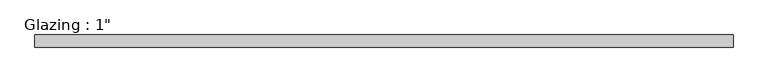
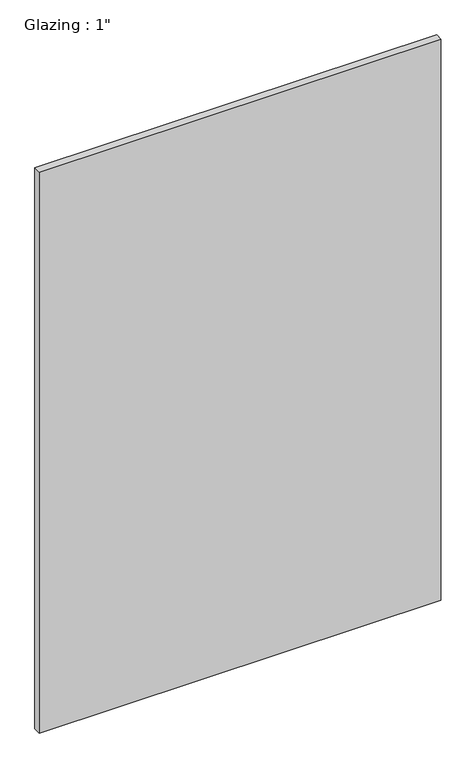
"""IFC4 building model written with IfcOpenShell, lengths in millimetres: plate geometry."""

from ifc_helpers import new_model, si_unit, origin, origin_with_axes, place, context, project, spatial, polyline, outline, extrude, source, transform, mapped, element, save


def plate_90bc6a38(model_context):
    return source(origin(), model_context, "Body", "SweptSolid", [
        extrude(outline(polyline([(709.0776675, -12.7), (-709.0776675, -12.7), (-709.0776675, 12.7), (709.0776675, 12.7), (709.0776675, -12.7)])), origin_with_axes(), (0.0, 0.0, 1.0), 2094.5428768),
    ])


if __name__ == "__main__":
    model = new_model("IFC4")
    model_context = context("Model", 3, world=origin())
    ifc_project = project(units=[si_unit("LENGTHUNIT", "METRE", prefix="MILLI")], contexts=[model_context])
    site = spatial("IfcSite", under=ifc_project)
    building = spatial("IfcBuilding", under=site)
    placement = place(None, origin())
    plate_shape = plate_90bc6a38(model_context)
    element("IfcPlate", 1, ObjectType="Glazing : 1\"", at=placement, inside=building, context=model_context, shape_type="MappedRepresentation", body=[
        mapped(plate_shape, transform((0.0, 0.0, 0.0), x_axis=(1.0, 0.0, 0.0), y_axis=(0.0, 1.0, 0.0), z_axis=(0.0, 0.0, 1.0))),
    ])
    save(model, "model.ifc")
